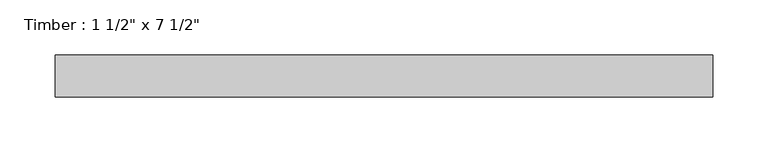
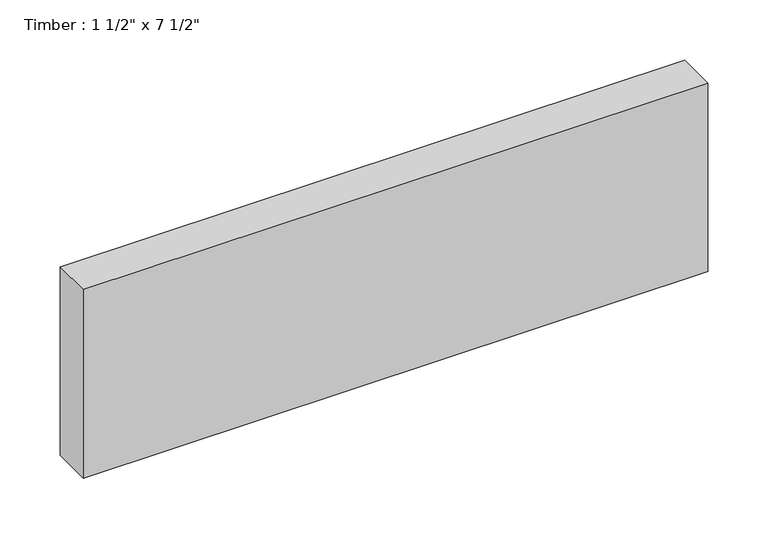
"""IFC4 building model written with IfcOpenShell, lengths in millimetres: beam geometry."""

from ifc_helpers import new_model, si_unit, frame, origin, place, context, project, spatial, polyline, outline, extrude, source, transform, mapped, element, save


def beam_96aacaeb(model_context):
    return source(origin(), model_context, "Body", "SweptSolid", [
        extrude(outline(polyline([(298.1505943, 19.05), (298.1505943, -19.05), (-298.1505943, -19.05), (-298.1505943, 19.05), (298.1505943, 19.05)])), frame((0.0, 0.0, -95.25), z_axis=(0.0, 0.0, 1.0), x_axis=(1.0, 0.0, 0.0)), (0.0, 0.0, 1.0), 190.5),
    ])


if __name__ == "__main__":
    model = new_model("IFC4")
    model_context = context("Model", 3, world=origin())
    ifc_project = project(units=[si_unit("LENGTHUNIT", "METRE", prefix="MILLI")], contexts=[model_context])
    site = spatial("IfcSite", under=ifc_project)
    building = spatial("IfcBuilding", under=site)
    placement = place(None, origin())
    beam_shape = beam_96aacaeb(model_context)
    element("IfcBeam", 1, ObjectType="Timber : 1 1/2\" x 7 1/2\"", at=placement, inside=building, context=model_context, shape_type="MappedRepresentation", body=[
        mapped(beam_shape, transform((0.0, 0.0, 0.0), x_axis=(1.0, 0.0, 0.0), y_axis=(0.0, 1.0, 0.0), z_axis=(0.0, 0.0, 1.0))),
    ])
    save(model, "model.ifc")
